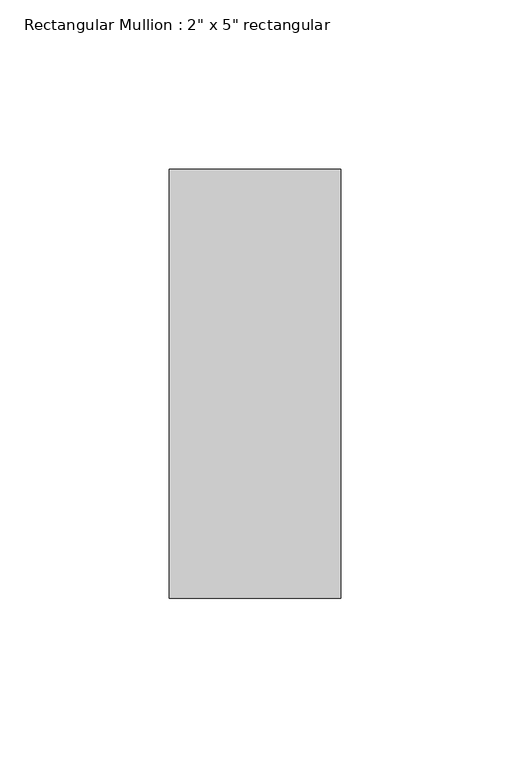
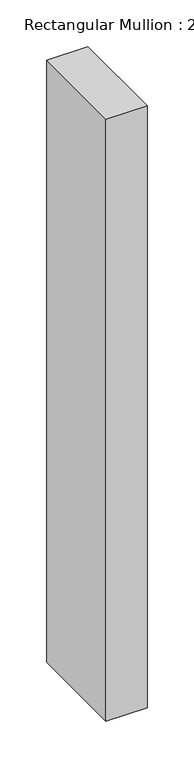
"""IFC4 building model written with IfcOpenShell, lengths in millimetres: member geometry."""

from ifc_helpers import new_model, si_unit, frame, origin, place, context, project, spatial, polyline, outline, extrude, source, transform, mapped, element, save


def member_1061f773(model_context):
    return source(origin(), model_context, "Body", "SweptSolid", [
        extrude(outline(polyline([(0.0, 63.5), (0.0, -63.5), (-50.8, -63.5), (-50.8, 63.5), (0.0, 63.5)])), frame((0.0, 0.0, -787.4), z_axis=(0.0, 0.0, 1.0), x_axis=(1.0, 0.0, 0.0)), (0.0, 0.0, 1.0), 787.4),
    ])


if __name__ == "__main__":
    model = new_model("IFC4")
    model_context = context("Model", 3, world=origin())
    ifc_project = project(units=[si_unit("LENGTHUNIT", "METRE", prefix="MILLI")], contexts=[model_context])
    site = spatial("IfcSite", under=ifc_project)
    building = spatial("IfcBuilding", under=site)
    placement = place(None, origin())
    member_shape = member_1061f773(model_context)
    element("IfcMember", 1, ObjectType="Rectangular Mullion : 2\" x 5\" rectangular", at=placement, inside=building, context=model_context, shape_type="MappedRepresentation", body=[
        mapped(member_shape, transform((0.0, 0.0, 0.0), x_axis=(1.0, 0.0, 0.0), y_axis=(0.0, 1.0, 0.0), z_axis=(0.0, 0.0, 1.0))),
    ])
    save(model, "model.ifc")
